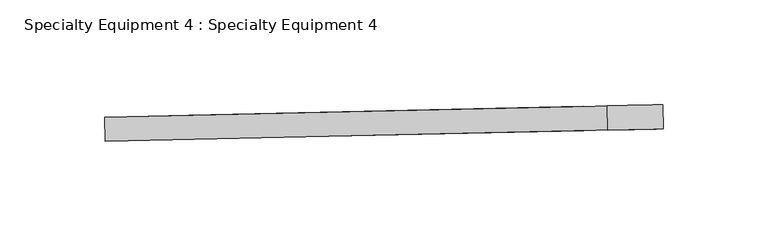
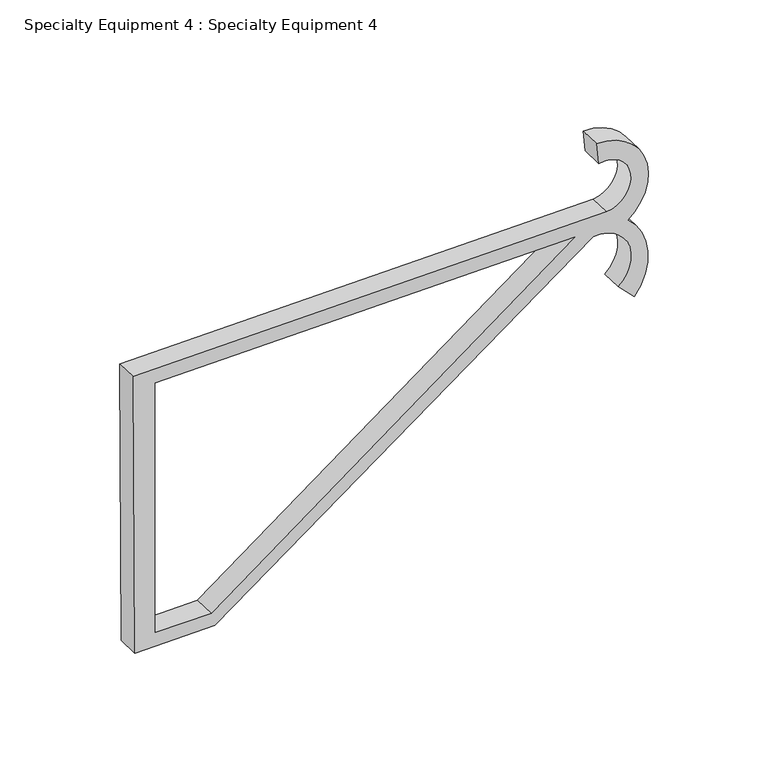
"""IFC4 building model written with IfcOpenShell, lengths in millimetres: proxy geometry, Specialty Equipment 4 : Specialty Equipment 4."""

from ifc_helpers import new_model, si_unit, point, frame, frame_2d, origin, place, context, project, spatial, polyline, circle_curve, trimmed, segment, composite_curve, outline, extrude, source, transform, mapped, element, save


def specialty_equipment_4_specialty_equipment_4_8baed942(model_context):
    return source(origin(), model_context, "Body", "SweptSolid", [
        extrude(outline(composite_curve([segment(polyline([(-13.9407683, 15.3686938), (-13.9407683, -229.6271947), (-163.6614293, -228.7536829), (-163.6614293, -187.4303356), (-24.8250517, 8.5014753)]), True, "CONTINUOUS"), segment(trimmed(circle_curve(frame_2d((-42.4114445, 10.4663408)), 17.6958162), [point((-24.8250517, 8.5014753))], [point((-56.4534572, 21.2349893))], True, "CARTESIAN"), True, "CONTINUOUS"), segment(polyline([(-56.4534572, 21.2349893), (-64.9085927, 29.5415273)]), True, "CONTINUOUS"), segment(trimmed(circle_curve(frame_2d((-45.3123935, 6.5516044)), 30.2084024), [point((-64.9085927, 29.5415273))], [point((-22.3224706, 26.1478036))], False, "CARTESIAN"), True, "CONTINUOUS"), segment(trimmed(circle_curve(frame_2d((-1.2868987, 10.9205573)), 25.9685254), [point((-22.3224706, 26.1478036))], [point((24.6745692, 10.3151659))], False, "CARTESIAN"), True, "CONTINUOUS"), segment(polyline([(24.6745692, 10.3151659), (13.707559, 11.1258233)]), True, "CONTINUOUS"), segment(trimmed(circle_curve(frame_2d((0.0, 14.0071036)), 14.0071035), [point((13.707559, 11.1258233))], [point((-13.9407683, 15.3686938))], True, "CARTESIAN"), True, "CONTINUOUS")], self_intersect=False), holes=[polyline([(-21.5584294, -218.2791204), (-21.5584294, -1.0827574), (-156.3285441, -189.3805185), (-156.3285441, -218.2791204), (-21.5584294, -218.2791204)])]), frame((-46532.8056824, 37304.7250397, 110551.0801185), z_axis=(-0.022003337785327665, 0.9997578972562832, 0.0), x_axis=(0.0, 0.0, 1.0)), (0.0, 0.0, 1.0), 11.5297743),
    ])


if __name__ == "__main__":
    model = new_model("IFC4")
    model_context = context("Model", 3, world=origin())
    ifc_project = project(units=[si_unit("LENGTHUNIT", "METRE", prefix="MILLI")], contexts=[model_context])
    site = spatial("IfcSite", under=ifc_project)
    building = spatial("IfcBuilding", under=site)
    placement = place(None, origin())
    specialty_equipment_4_specialty_equipment_4_shape = specialty_equipment_4_specialty_equipment_4_8baed942(model_context)
    element("IfcBuildingElementProxy", 1, Name="Specialty Equipment 4 : Specialty Equipment 4", ObjectType="Specialty Equipment 4 : Specialty Equipment 4", at=placement, inside=building, context=model_context, shape_type="MappedRepresentation", body=[
        mapped(specialty_equipment_4_specialty_equipment_4_shape, transform((0.0, 0.0, 0.0), x_axis=(1.0, 0.0, 0.0), y_axis=(0.0, 1.0, 0.0), z_axis=(0.0, 0.0, 1.0))),
    ])
    save(model, "model.ifc")
